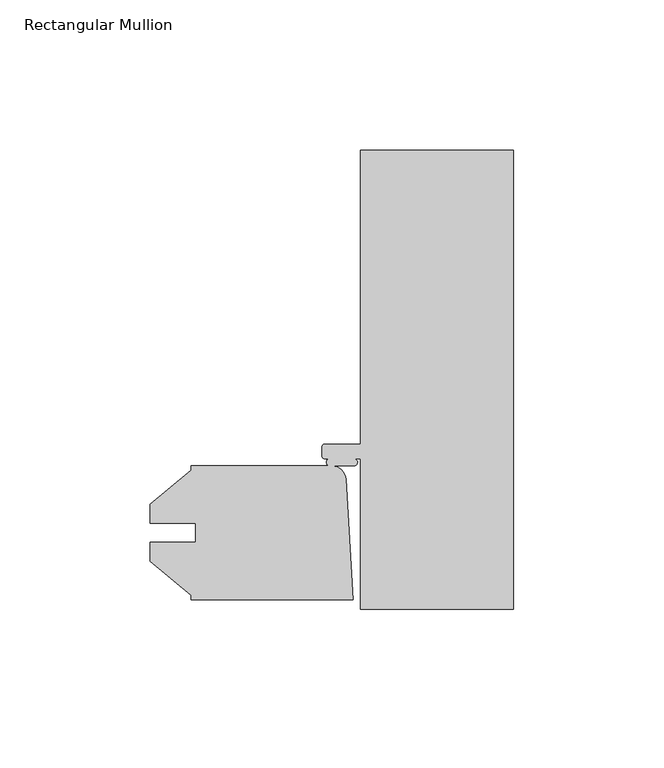
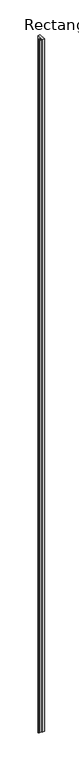
"""IFC4 building model written with IfcOpenShell, lengths in millimetres: member geometry, Rectangular Mullion."""

from ifc_helpers import new_model, si_unit, point, frame, frame_2d, origin, place, context, project, spatial, polyline, circle_curve, trimmed, segment, composite_curve, outline, extrude, source, transform, mapped, element, save


def rectangular_mullion_fce58c4d(model_context):
    return source(origin(), model_context, "Body", "SweptSolid", [
        extrude(outline(composite_curve([segment(polyline([(-50.8, 152.4), (0.0, 152.4), (0.0, 0.0), (-50.8, 0.0), (-50.8, 50.0126), (-52.866439, 50.0126)]), True, "CONTINUOUS"), segment(trimmed(circle_curve(frame_2d((-52.9894062, 48.82515)), 1.1938), [point((-52.866439, 50.0126))], [point((-52.9894062, 47.63135))], False, "CARTESIAN"), True, "CONTINUOUS"), segment(polyline([(-52.9894062, 47.63135), (-60.3680941, 47.63135)]), True, "CONTINUOUS"), segment(trimmed(circle_curve(frame_2d((-60.3748495, 42.8747868)), 4.756568), [point((-60.3680941, 47.63135))], [point((-55.6271535, 43.1651684))], False, "CARTESIAN"), True, "CONTINUOUS"), segment(polyline([(-55.6271535, 43.1651684), (-53.18125, 3.175), (-107.15625, 3.175), (-107.15625, 4.5691667), (-120.61825, 15.865126), (-120.61825, 22.2353979), (-105.58145, 22.2353979), (-105.58145, 28.5595221), (-120.61825, 28.5595221), (-120.61825, 34.929794), (-107.15625, 46.2257533), (-107.15625, 47.625), (-60.935608, 47.625)]), True, "CONTINUOUS"), segment(trimmed(circle_curve(frame_2d((-60.935608, 48.8188)), 1.1938), [point((-60.935608, 47.625))], [point((-60.935608, 50.0126))], False, "CARTESIAN"), True, "CONTINUOUS"), segment(polyline([(-60.935608, 50.0126), (-62.7126, 50.0126)]), True, "CONTINUOUS"), segment(trimmed(circle_curve(frame_2d((-62.7126, 50.8)), 0.7874), [point((-62.7126, 50.0126))], [point((-63.5, 50.8))], False, "CARTESIAN"), True, "CONTINUOUS"), segment(polyline([(-63.5, 50.8), (-63.5, 54.0004)]), True, "CONTINUOUS"), segment(trimmed(circle_curve(frame_2d((-62.7126, 54.0004)), 0.7874), [point((-63.5, 54.0004))], [point((-62.7126, 54.7878))], False, "CARTESIAN"), True, "CONTINUOUS"), segment(polyline([(-62.7126, 54.7878), (-50.8, 54.7878), (-50.8, 152.4)]), True, "CONTINUOUS")], self_intersect=False)), frame((0.0, 0.0, -15837.0064664), z_axis=(0.0, 0.0, 1.0), x_axis=(1.0, 0.0, 0.0)), (0.0, 0.0, 1.0), 15837.0064664),
    ])


if __name__ == "__main__":
    model = new_model("IFC4")
    model_context = context("Model", 3, world=origin())
    ifc_project = project(units=[si_unit("LENGTHUNIT", "METRE", prefix="MILLI")], contexts=[model_context])
    site = spatial("IfcSite", under=ifc_project)
    building = spatial("IfcBuilding", under=site)
    placement = place(None, origin())
    rectangular_mullion_shape = rectangular_mullion_fce58c4d(model_context)
    element("IfcMember", 1, ObjectType="Rectangular Mullion", at=placement, inside=building, context=model_context, shape_type="MappedRepresentation", body=[
        mapped(rectangular_mullion_shape, transform((0.0, 0.0, 0.0), x_axis=(1.0, 0.0, 0.0), y_axis=(0.0, 1.0, 0.0), z_axis=(0.0, 0.0, 1.0))),
    ])
    save(model, "model.ifc")
